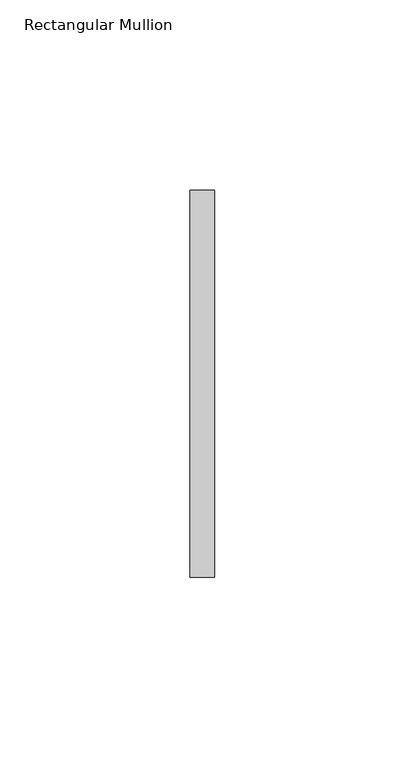
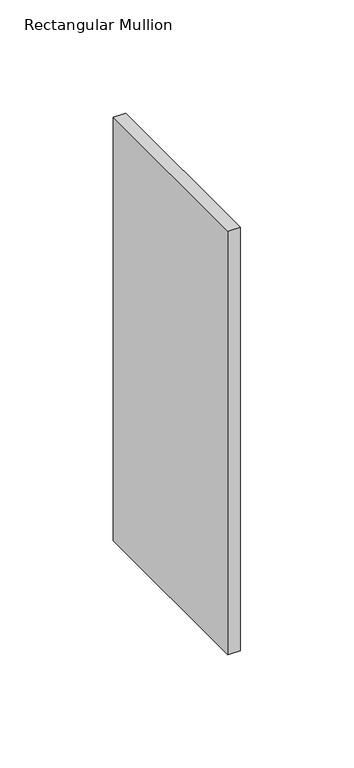
"""IFC4 building model written with IfcOpenShell, lengths in millimetres: member geometry, Rectangular Mullion."""

import ifcopenshell
import ifcopenshell.guid

model = None  # the IFC model being written
_history = None  # IfcOwnerHistory: only IFC2X3 demands one
_inside = {}  # id of a spatial element -> (the spatial element, [elements in it])
_under = {}  # id of a project, library or spatial element -> (it, [spatial elements below it])
_declared = {}  # id of a project -> (the project, [libraries it declares])
_typed = {}  # id of a type object -> (the type object, [elements of that type])
_made_of = {}  # id of a material, layer set ... -> (it, [elements and type objects made of it])


def new_model(schema):
    """Start an empty IFC model of exactly this schema.

    Asked for "IFC4X3", IfcOpenShell would pick the latest addendum, in which some entities
    have other attributes; the version numbers below select the first issue.
    IFC2X3 requires an IfcOwnerHistory on every rooted entity: one is made here for all.
    """
    global model, _history
    if schema == "IFC4X3":
        model = ifcopenshell.file(schema_version=(4, 3, 0, 0))
    else:
        model = ifcopenshell.file(schema=schema)
    _inside.clear()
    _under.clear()
    _declared.clear()
    _typed.clear()
    _made_of.clear()
    _history = None
    if model.schema == "IFC2X3":
        org = make("IfcOrganization", Name="unknown")
        user = make(
            "IfcPersonAndOrganization",
            ThePerson=make("IfcPerson", FamilyName="unknown"),
            TheOrganization=org,
        )
        app = make(
            "IfcApplication",
            ApplicationDeveloper=org,
            Version="unknown",
            ApplicationFullName="unknown",
            ApplicationIdentifier="unknown",
        )
        _history = make(
            "IfcOwnerHistory",
            OwningUser=user,
            OwningApplication=app,
            ChangeAction="ADDED",
            CreationDate=0,
        )
    return model


def make(cls, **values):
    """One entity of the class cls with the attributes given. An attribute that is None is left unset."""
    return model.create_entity(
        cls, **{name: value for name, value in values.items() if value is not None}
    )


def rooted(cls, **values):
    """An entity with a GlobalId (a new one), such as an element, a storey or a relation."""
    return make(cls, GlobalId=ifcopenshell.guid.new(), OwnerHistory=_history, **values)


def si_unit(unit_type, name, prefix=None):
    """IfcSIUnit, for example si_unit("LENGTHUNIT", "METRE", prefix="MILLI")."""
    return make("IfcSIUnit", UnitType=unit_type, Prefix=prefix, Name=name)


def assignment(units):
    """IfcUnitAssignment: the units of a project."""
    return None if units is None else make("IfcUnitAssignment", Units=units)


def point(xyz):
    """IfcCartesianPoint."""
    return None if xyz is None else make("IfcCartesianPoint", Coordinates=xyz)


def direction(xyz):
    """IfcDirection."""
    return None if xyz is None else make("IfcDirection", DirectionRatios=xyz)


def frame(location, z_axis=None, x_axis=None):
    """IfcAxis2Placement3D, a coordinate frame: its origin and axes. An axis left out is left unset."""
    return make(
        "IfcAxis2Placement3D",
        Location=point(location),
        Axis=direction(z_axis),
        RefDirection=direction(x_axis),
    )


def origin():
    """The frame at (0, 0, 0) with its axes left unset."""
    return frame((0.0, 0.0, 0.0))


def place(relative_to, where):
    """IfcLocalPlacement: puts the frame where relative to a parent placement (None: the world)."""
    return make(
        "IfcLocalPlacement", PlacementRelTo=relative_to, RelativePlacement=where
    )


def context(
    kind, dimensions, precision=None, world=None, true_north=None, identifier=None
):
    """IfcGeometricRepresentationContext, for example the 3D "Model" context."""
    return make(
        "IfcGeometricRepresentationContext",
        ContextIdentifier=identifier,
        ContextType=kind,
        CoordinateSpaceDimension=dimensions,
        Precision=precision,
        WorldCoordinateSystem=world,
        TrueNorth=true_north,
    )


def project(units=None, contexts=None):
    """IfcProject with its units and contexts."""
    return rooted(
        "IfcProject",
        Name="project",
        RepresentationContexts=contexts,
        UnitsInContext=assignment(units),
    )


def spatial(cls, under=None, at=None, **own):
    """A site, building, storey or space (cls), placed at a placement, below another one or the project."""
    s = rooted(cls, ObjectPlacement=at, **own)
    if under is not None:
        _under.setdefault(under.id(), (under, []))[1].append(s)
    return s


def polyline(points):
    """IfcPolyline through the points."""
    return make("IfcPolyline", Points=[point(p) for p in points])


def outline(outer, holes=None, kind="AREA"):
    """IfcArbitraryClosedProfileDef: a profile drawn as a closed curve; with holes, ...WithVoids."""
    if holes is None:
        return make("IfcArbitraryClosedProfileDef", ProfileType=kind, OuterCurve=outer)
    return make(
        "IfcArbitraryProfileDefWithVoids",
        ProfileType=kind,
        OuterCurve=outer,
        InnerCurves=holes,
    )


def extrude(swept, where, along, depth):
    """IfcExtrudedAreaSolid: the profile swept, set in the frame where, extruded along a direction by depth."""
    return make(
        "IfcExtrudedAreaSolid",
        SweptArea=swept,
        Position=where,
        ExtrudedDirection=direction(along),
        Depth=depth,
    )


def shape(context_of_items, identifier, shape_type, items):
    """IfcShapeRepresentation: the items that make up one representation, for example the "Body"."""
    return make(
        "IfcShapeRepresentation",
        ContextOfItems=context_of_items,
        RepresentationIdentifier=identifier,
        RepresentationType=shape_type,
        Items=items,
    )


def source(mapping_origin, context_of_items, identifier, shape_type, items):
    """IfcRepresentationMap: a shape defined once, which mapped items show again and again."""
    return make(
        "IfcRepresentationMap",
        MappingOrigin=mapping_origin,
        MappedRepresentation=shape(context_of_items, identifier, shape_type, items),
    )


def transform(
    local_origin,
    x_axis=None,
    y_axis=None,
    z_axis=None,
    scale=None,
    scale2=None,
    scale3=None,
    uniform=True,
):
    """IfcCartesianTransformationOperator3D, or its non-uniform kind. x_axis, y_axis, z_axis: its Axis1, 2, 3."""
    if uniform:
        return make(
            "IfcCartesianTransformationOperator3D",
            Axis1=direction(x_axis),
            Axis2=direction(y_axis),
            LocalOrigin=point(local_origin),
            Scale=scale,
            Axis3=direction(z_axis),
        )
    return make(
        "IfcCartesianTransformationOperator3DnonUniform",
        Axis1=direction(x_axis),
        Axis2=direction(y_axis),
        LocalOrigin=point(local_origin),
        Scale=scale,
        Axis3=direction(z_axis),
        Scale2=scale2,
        Scale3=scale3,
    )


def mapped(mapping_source, mapping_target):
    """IfcMappedItem: shows the shape of a source again, moved by a transform."""
    return make(
        "IfcMappedItem", MappingSource=mapping_source, MappingTarget=mapping_target
    )


def made_of(thing, what):
    """Note that an element or type object is made of a material, layer set ...; save() writes the relation."""
    if what is not None:
        _made_of.setdefault(what.id(), (what, []))[1].append(thing)
    return thing


def element(
    cls,
    number,
    at=None,
    inside=None,
    cuts=None,
    type_object=None,
    material=None,
    context=None,
    identifier="Body",
    shape_type=None,
    held_by="IfcProductDefinitionShape",
    body=None,
    shapes=None,
    **own,
):
    """One element of the class cls, such as IfcWall. Its Tag is "e" and its number.

    at: its placement. inside: the storey or other place that contains it. cuts: it is an
    opening in that element (IfcRelVoidsElement). A single representation is given by context,
    identifier, shape_type and body (its items); several are given by shapes. held_by: the class
    of the entity that holds the representations. save() writes the other relations.
    """
    e = rooted(cls, Tag="e%d" % number, ObjectPlacement=at, **own)
    if body is not None:
        shapes = [shape(context, identifier, shape_type, body)]
    if shapes is not None:
        e.Representation = make(held_by, Representations=shapes)
    if inside is not None:
        _inside.setdefault(inside.id(), (inside, []))[1].append(e)
    if cuts is not None:
        rooted(
            "IfcRelVoidsElement", RelatingBuildingElement=cuts, RelatedOpeningElement=e
        )
    if type_object is not None:
        _typed.setdefault(type_object.id(), (type_object, []))[1].append(e)
    return made_of(e, material)


def aggregate(whole, parts):
    """IfcRelAggregates: a whole, such as a stair, and the parts it consists of."""
    return rooted("IfcRelAggregates", RelatingObject=whole, RelatedObjects=parts)


def save(model, path):
    """Write the relations noted so far, then the file.

    IfcRelAggregates (storeys below a building ...), IfcRelContainedInSpatialStructure (elements
    in a storey), IfcRelDefinesByType, IfcRelAssociatesMaterial and IfcRelDeclares: one each for
    every whole, place, type object, material and project.
    """
    for whole, parts in _under.values():
        aggregate(whole, parts)
    for where, things in _inside.values():
        rooted(
            "IfcRelContainedInSpatialStructure",
            RelatedElements=things,
            RelatingStructure=where,
        )
    for kind, things in _typed.values():
        rooted("IfcRelDefinesByType", RelatedObjects=things, RelatingType=kind)
    for what, things in _made_of.values():
        rooted("IfcRelAssociatesMaterial", RelatedObjects=things, RelatingMaterial=what)
    for by, libraries in _declared.values():
        rooted("IfcRelDeclares", RelatingContext=by, RelatedDefinitions=libraries)
    model.write(path)


def rectangular_mullion_41a67131(model_context):
    return source(origin(), model_context, "Body", "SweptSolid", [
        extrude(outline(polyline([(0.0, 50.8), (0.0, -50.8), (-6.35, -50.8), (-6.35, 50.8), (0.0, 50.8)])), frame((0.0, 0.0, -228.6000003), z_axis=(0.0, 0.0, 1.0), x_axis=(1.0, 0.0, 0.0)), (0.0, 0.0, 1.0), 228.6000003),
    ])


if __name__ == "__main__":
    model = new_model("IFC4")
    model_context = context("Model", 3, world=origin())
    ifc_project = project(units=[si_unit("LENGTHUNIT", "METRE", prefix="MILLI")], contexts=[model_context])
    site = spatial("IfcSite", under=ifc_project)
    building = spatial("IfcBuilding", under=site)
    placement = place(None, origin())
    rectangular_mullion_shape = rectangular_mullion_41a67131(model_context)
    element("IfcMember", 1, ObjectType="Rectangular Mullion", at=placement, inside=building, context=model_context, shape_type="MappedRepresentation", body=[
        mapped(rectangular_mullion_shape, transform((0.0, 0.0, 0.0), x_axis=(1.0, 0.0, 0.0), y_axis=(0.0, 1.0, 0.0), z_axis=(0.0, 0.0, 1.0))),
    ])
    save(model, "model.ifc")
